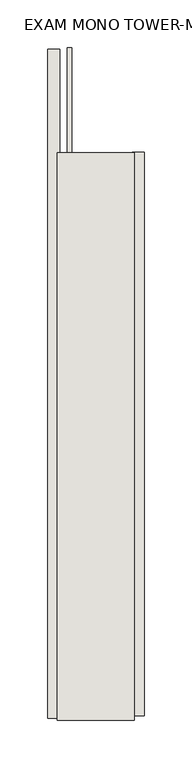
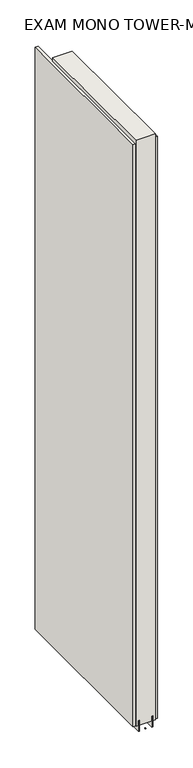
"""IFC4 building model written with IfcOpenShell, lengths in millimetres: wall geometry, EXAM MONO TOWER-MONO ACCENT 285519 : EXAM MONO TOWER-MONO ACCENT 285519."""

from ifc_helpers import new_model, si_unit, frame, origin, place, context, project, spatial, polyline, outline, extrude, source, transform, mapped, element, save


def exam_mono_tower_mono_accent_285519_exam_mono_tower_mono_e61bea2b(model_context):
    return source(origin(), model_context, "Body", "SweptSolid", [
        extrude(outline(polyline([(78033.282211, -51342.7092016), (78033.282211, -51345.2492016), (78030.742211, -51345.2492016), (78030.742211, -51342.7092016), (78033.282211, -51342.7092016)])), frame((0.0, 0.0, 4419.6), z_axis=(0.0, 0.0, 1.0), x_axis=(1.0, 0.0, 0.0)), (0.0, 0.0, 1.0), 2.54),
        extrude(outline(polyline([(77981.212211, -51343.2483928), (77981.212211, -50639.7484028), (77993.912211, -50639.7484028), (77993.912211, -51343.2483928), (77981.212211, -51343.2483928)])), frame((0.0, 0.0, 4445.0), z_axis=(0.0, 0.0, 1.0), x_axis=(1.0, 0.0, 0.0)), (0.0, 0.0, 1.0), 2545.0498756),
        extrude(outline(polyline([(78082.812211, -50747.8854992), (78082.812211, -51340.7854564), (78070.112211, -51340.7854564), (78070.112211, -50747.8854992), (78082.812211, -50747.8854992)])), frame((0.0, 0.0, 4445.0), z_axis=(0.0, 0.0, 1.0), x_axis=(1.0, 0.0, 0.0)), (0.0, 0.0, 1.0), 2545.0498756),
        extrude(outline(polyline([(78006.9284664, -50637.7463494), (78006.9284664, -51345.2628414), (78001.849711, -51345.2628414), (78001.849711, -50637.7463494), (78006.9284664, -50637.7463494)])), frame((0.0, 0.0, 4418.6602), z_axis=(0.0, 0.0, 1.0), x_axis=(1.0, 0.0, 0.0)), (0.0, 0.0, 1.0), 47.625),
        extrude(outline(polyline([(78006.9284664, -50637.7463494), (78006.9284664, -51345.2628414), (78001.849711, -51345.2628414), (78001.849711, -50637.7463494), (78006.9284664, -50637.7463494)])), frame((0.0, 0.0, 4418.6602), z_axis=(0.0, 0.0, 1.0), x_axis=(1.0, 0.0, 0.0)), (0.0, 0.0, 1.0), 47.625),
        extrude(outline(polyline([(78057.0959556, -51345.2628414), (78057.0959556, -50748.3628414), (78062.174711, -50748.3628414), (78062.174711, -51345.2628414), (78057.0959556, -51345.2628414)])), frame((0.0, 0.0, 4418.6602), z_axis=(0.0, 0.0, 1.0), x_axis=(1.0, 0.0, 0.0)), (0.0, 0.0, 1.0), 47.625),
        extrude(outline(polyline([(78057.0959556, -51345.2628414), (78057.0959556, -50748.3628414), (78062.174711, -50748.3628414), (78062.174711, -51345.2628414), (78057.0959556, -51345.2628414)])), frame((0.0, 0.0, 4418.6602), z_axis=(0.0, 0.0, 1.0), x_axis=(1.0, 0.0, 0.0)), (0.0, 0.0, 1.0), 47.625),
        extrude(outline(polyline([(77991.3573266, -50748.3628414), (78072.6670954, -50748.3628414), (78072.6670954, -51345.2628414), (77991.3573266, -51345.2628414), (77991.3573266, -50748.3628414)])), frame((0.0, 0.0, 4445.0), z_axis=(0.0, 0.0, 1.0), x_axis=(1.0, 0.0, 0.0)), (0.0, 0.0, 1.0), 2562.4536762),
    ])


if __name__ == "__main__":
    model = new_model("IFC4")
    model_context = context("Model", 3, world=origin())
    ifc_project = project(units=[si_unit("LENGTHUNIT", "METRE", prefix="MILLI")], contexts=[model_context])
    site = spatial("IfcSite", under=ifc_project)
    building = spatial("IfcBuilding", under=site)
    placement = place(None, origin())
    exam_mono_tower_mono_accent_285519_exam_mono_tower_mono_shape = exam_mono_tower_mono_accent_285519_exam_mono_tower_mono_e61bea2b(model_context)
    element("IfcWall", 1, ObjectType="EXAM MONO TOWER-MONO ACCENT 285519 : EXAM MONO TOWER-MONO ACCENT 285519", at=placement, inside=building, context=model_context, shape_type="MappedRepresentation", body=[
        mapped(exam_mono_tower_mono_accent_285519_exam_mono_tower_mono_shape, transform((0.0, 0.0, 0.0), x_axis=(1.0, 0.0, 0.0), y_axis=(0.0, 1.0, 0.0), z_axis=(0.0, 0.0, 1.0))),
    ])
    save(model, "model.ifc")
